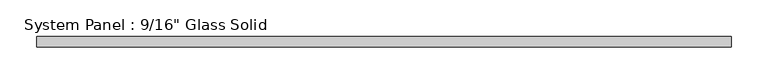
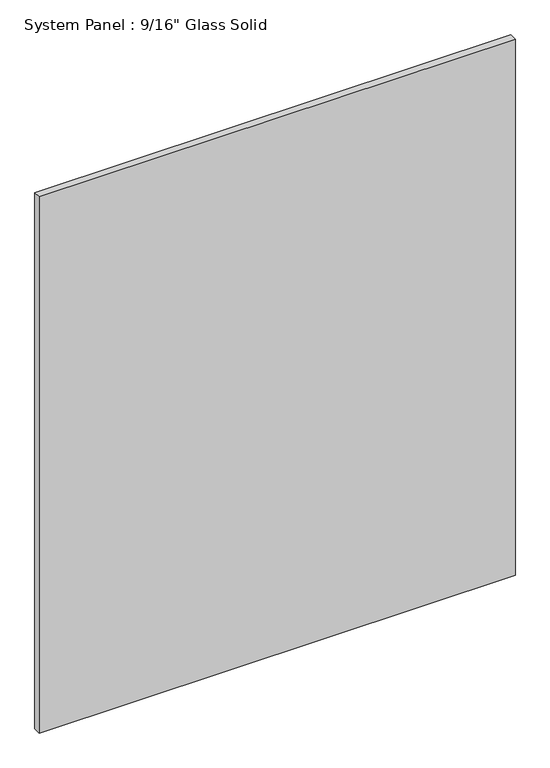
"""IFC4 building model written with IfcOpenShell, lengths in millimetres: plate geometry."""

from ifc_helpers import new_model, si_unit, origin, origin_with_axes, place, context, project, spatial, polyline, outline, extrude, source, transform, mapped, element, save


def plate_2c10ce86(model_context):
    return source(origin(), model_context, "Body", "SweptSolid", [
        extrude(outline(polyline([(470.4805865, -7.14375), (-470.4805865, -7.14375), (-470.4805865, 7.14375), (470.4805865, 7.14375), (470.4805865, -7.14375)])), origin_with_axes(), (0.0, 0.0, 1.0), 1119.6191382),
    ])


if __name__ == "__main__":
    model = new_model("IFC4")
    model_context = context("Model", 3, world=origin())
    ifc_project = project(units=[si_unit("LENGTHUNIT", "METRE", prefix="MILLI")], contexts=[model_context])
    site = spatial("IfcSite", under=ifc_project)
    building = spatial("IfcBuilding", under=site)
    placement = place(None, origin())
    plate_shape = plate_2c10ce86(model_context)
    element("IfcPlate", 1, ObjectType="System Panel : 9/16\" Glass Solid", at=placement, inside=building, context=model_context, shape_type="MappedRepresentation", body=[
        mapped(plate_shape, transform((0.0, 0.0, 0.0), x_axis=(1.0, 0.0, 0.0), y_axis=(0.0, 1.0, 0.0), z_axis=(0.0, 0.0, 1.0))),
    ])
    save(model, "model.ifc")
